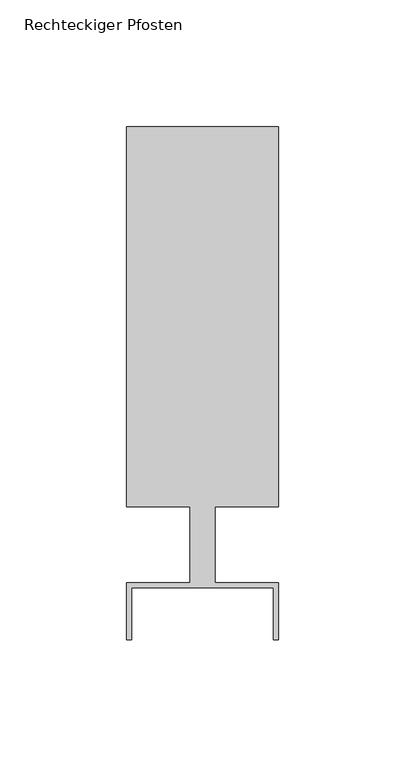
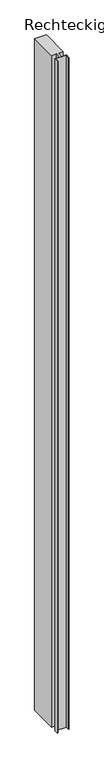
"""IFC4 building model written with IfcOpenShell, lengths in millimetres: member geometry, Rechteckiger Pfosten."""

from ifc_helpers import new_model, si_unit, frame, origin, place, context, project, spatial, polyline, outline, extrude, source, transform, mapped, element, save


def rechteckiger_pfosten_171c4bc6(model_context):
    return source(origin(), model_context, "Body", "SweptSolid", [
        extrude(outline(polyline([(-2.0, -37.5), (-2.0, -17.0), (-58.0, -17.0), (-58.0, -37.5), (-60.0, -37.5), (-60.0, -15.0), (-35.0, -15.0), (-35.0, 15.0), (-60.0, 15.0), (-60.0, 165.0), (0.0, 165.0), (0.0, 15.0), (-25.0, 15.0), (-25.0, -15.0), (0.0, -15.0), (0.0, -37.5), (-2.0, -37.5)])), frame((0.0, 0.0, -3650.0), z_axis=(0.0, 0.0, 1.0), x_axis=(1.0, 0.0, 0.0)), (0.0, 0.0, 1.0), 3650.0),
    ])


if __name__ == "__main__":
    model = new_model("IFC4")
    model_context = context("Model", 3, world=origin())
    ifc_project = project(units=[si_unit("LENGTHUNIT", "METRE", prefix="MILLI")], contexts=[model_context])
    site = spatial("IfcSite", under=ifc_project)
    building = spatial("IfcBuilding", under=site)
    placement = place(None, origin())
    rechteckiger_pfosten_shape = rechteckiger_pfosten_171c4bc6(model_context)
    element("IfcMember", 1, ObjectType="Rechteckiger Pfosten", at=placement, inside=building, context=model_context, shape_type="MappedRepresentation", body=[
        mapped(rechteckiger_pfosten_shape, transform((0.0, 0.0, 0.0), x_axis=(1.0, 0.0, 0.0), y_axis=(0.0, 1.0, 0.0), z_axis=(0.0, 0.0, 1.0))),
    ])
    save(model, "model.ifc")
